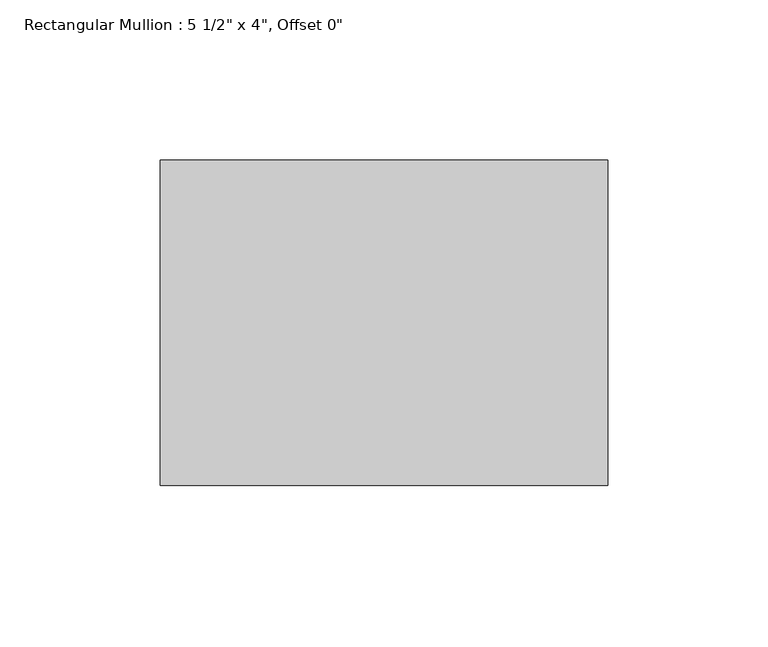
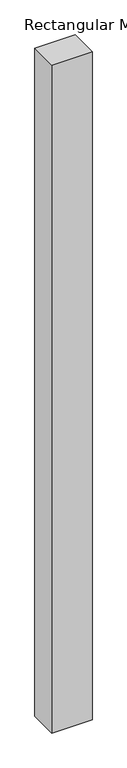
"""IFC4 building model written with IfcOpenShell, lengths in millimetres: member geometry."""

from ifc_helpers import new_model, si_unit, frame, origin, place, context, project, spatial, polyline, outline, extrude, source, transform, mapped, element, save


def member_13233b91(model_context):
    return source(origin(), model_context, "Body", "SweptSolid", [
        extrude(outline(polyline([(69.85, 50.8), (69.85, -50.8), (-69.85, -50.8), (-69.85, 50.8), (69.85, 50.8)])), frame((0.0, 0.0, -2453.2166667), z_axis=(0.0, 0.0, 1.0), x_axis=(1.0, 0.0, 0.0)), (0.0, 0.0, 1.0), 2453.2166667),
    ])


if __name__ == "__main__":
    model = new_model("IFC4")
    model_context = context("Model", 3, world=origin())
    ifc_project = project(units=[si_unit("LENGTHUNIT", "METRE", prefix="MILLI")], contexts=[model_context])
    site = spatial("IfcSite", under=ifc_project)
    building = spatial("IfcBuilding", under=site)
    placement = place(None, origin())
    member_shape = member_13233b91(model_context)
    element("IfcMember", 1, ObjectType="Rectangular Mullion : 5 1/2\" x 4\", Offset 0\"", at=placement, inside=building, context=model_context, shape_type="MappedRepresentation", body=[
        mapped(member_shape, transform((0.0, 0.0, 0.0), x_axis=(1.0, 0.0, 0.0), y_axis=(0.0, 1.0, 0.0), z_axis=(0.0, 0.0, 1.0))),
    ])
    save(model, "model.ifc")
